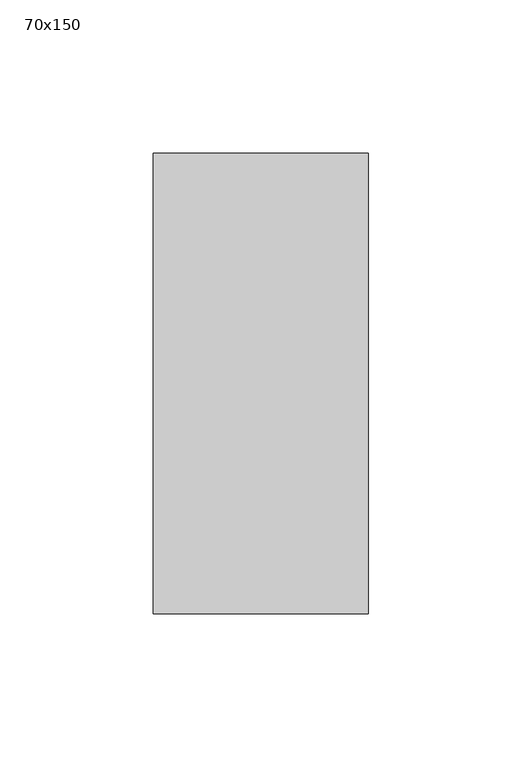
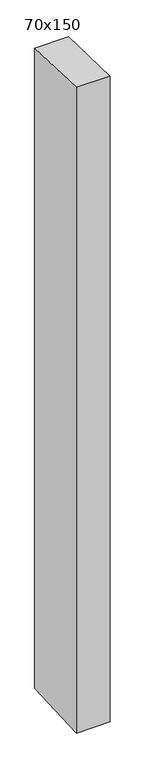
"""IFC4 building model written with IfcOpenShell, lengths in millimetres: member geometry, 70x150."""

from ifc_helpers import new_model, si_unit, frame, origin, place, context, project, spatial, polyline, outline, extrude, source, transform, mapped, element, save


def member_70x150_4e0827c0(model_context):
    return source(origin(), model_context, "Body", "SweptSolid", [
        extrude(outline(polyline([(-75.0, 2.2718492), (75.0, -2.2718492), (75.0, -1411.2764827), (-75.0, -1418.7562333), (-75.0, 2.2718492)])), frame((-70.0, 0.0, 0.0), z_axis=(1.0, 0.0, 0.0), x_axis=(0.0, 1.0, 0.0)), (0.0, 0.0, 1.0), 70.0),
    ])


if __name__ == "__main__":
    model = new_model("IFC4")
    model_context = context("Model", 3, world=origin())
    ifc_project = project(units=[si_unit("LENGTHUNIT", "METRE", prefix="MILLI")], contexts=[model_context])
    site = spatial("IfcSite", under=ifc_project)
    building = spatial("IfcBuilding", under=site)
    placement = place(None, origin())
    member_70x150_shape = member_70x150_4e0827c0(model_context)
    element("IfcMember", 1, ObjectType="70x150", at=placement, inside=building, context=model_context, shape_type="MappedRepresentation", body=[
        mapped(member_70x150_shape, transform((0.0, 0.0, 0.0), x_axis=(1.0, 0.0, 0.0), y_axis=(0.0, 1.0, 0.0), z_axis=(0.0, 0.0, 1.0))),
    ])
    save(model, "model.ifc")
